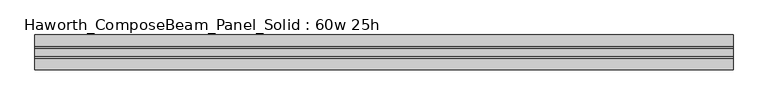
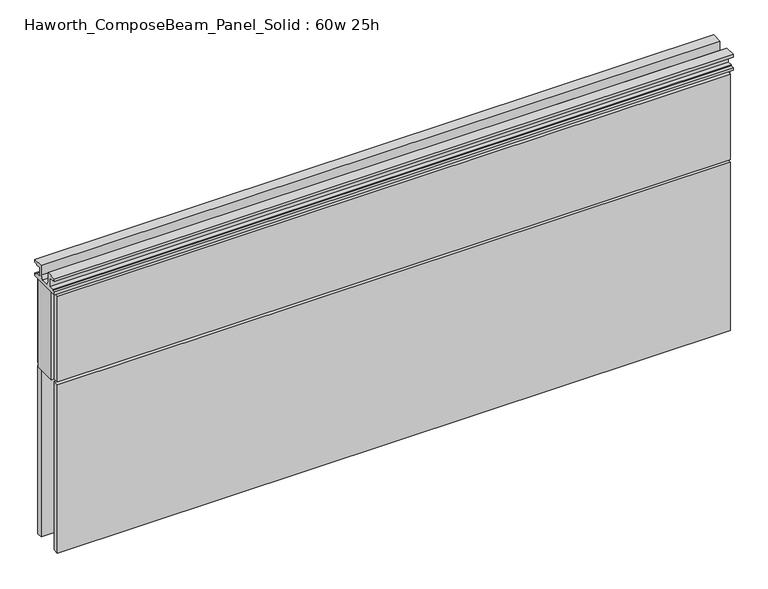
"""IFC4 building model written with IfcOpenShell, lengths in millimetres: furniture geometry, Haworth_ComposeBeam_Panel_Solid : 60w 25h."""

from ifc_helpers import new_model, si_unit, frame, origin, place, context, project, spatial, polyline, outline, extrude, source, transform, mapped, element, save


def haworth_composebeam_panel_solid_60w_25h_bee116df(model_context):
    return source(origin(), model_context, "Body", "SweptSolid", [
        extrude(outline(polyline([(-38.1, 673.1), (-38.1, 679.45), (-13.5001003, 679.45), (-13.5001003, 657.6828071), (-8.7648475, 647.7), (8.7648498, 647.7), (13.5001026, 657.6828071), (13.5001026, 679.45), (38.1000023, 679.45), (38.1000023, 673.1), (30.6197023, 673.1), (30.6197023, 670.8139719), (19.6977019, 670.8139719), (19.6977019, 649.9860281), (30.6197023, 649.9860281), (30.6197023, 647.7), (38.1000011, 647.7), (38.1000011, 641.35), (-38.0999989, 641.35), (-38.0999989, 647.7), (-30.6197, 647.7), (-30.6197, 649.9860281), (-19.6976996, 649.9860281), (-19.6976996, 670.8139719), (-30.6197, 670.8139719), (-30.6197, 673.1), (-38.1, 673.1)])), frame((-759.5597098, 0.0, 0.0), z_axis=(1.0, 0.0, 0.0), x_axis=(0.0, 1.0, 0.0)), (0.0, 0.0, 1.0), 1524.0),
        extrude(outline(polyline([(764.4402902, -25.4), (-759.5597098, -25.4), (-759.5597098, 25.4), (764.4402902, 25.4), (764.4402902, -25.4)])), frame((0.0, 0.0, 431.8), z_axis=(0.0, 0.0, 1.0), x_axis=(1.0, 0.0, 0.0)), (0.0, 0.0, 1.0), 209.55),
        extrude(outline(polyline([(-753.2097098, -25.4), (758.0902902, -25.4), (758.0902902, -38.1), (-753.2097098, -38.1), (-753.2097098, -25.4)])), frame((0.0, 0.0, 431.8), z_axis=(0.0, 0.0, 1.0), x_axis=(1.0, 0.0, 0.0)), (0.0, 0.0, 1.0), 203.2),
        extrude(outline(polyline([(-753.2097098, -25.4), (758.0902902, -25.4), (758.0902902, -38.1), (-753.2097098, -38.1), (-753.2097098, -25.4)])), frame((0.0, 0.0, 25.4), z_axis=(0.0, 0.0, 1.0), x_axis=(1.0, 0.0, 0.0)), (0.0, 0.0, 1.0), 400.05),
        extrude(outline(polyline([(-753.2097098, 38.1), (758.0902902, 38.1), (758.0902902, 25.4), (-753.2097098, 25.4), (-753.2097098, 38.1)])), frame((0.0, 0.0, 431.8), z_axis=(0.0, 0.0, 1.0), x_axis=(1.0, 0.0, 0.0)), (0.0, 0.0, 1.0), 203.2),
        extrude(outline(polyline([(-753.2097098, 38.1), (758.0902902, 38.1), (758.0902902, 25.4), (-753.2097098, 25.4), (-753.2097098, 38.1)])), frame((0.0, 0.0, 25.4), z_axis=(0.0, 0.0, 1.0), x_axis=(1.0, 0.0, 0.0)), (0.0, 0.0, 1.0), 400.05),
    ])


if __name__ == "__main__":
    model = new_model("IFC4")
    model_context = context("Model", 3, world=origin())
    ifc_project = project(units=[si_unit("LENGTHUNIT", "METRE", prefix="MILLI")], contexts=[model_context])
    site = spatial("IfcSite", under=ifc_project)
    building = spatial("IfcBuilding", under=site)
    placement = place(None, origin())
    haworth_composebeam_panel_solid_60w_25h_shape = haworth_composebeam_panel_solid_60w_25h_bee116df(model_context)
    element("IfcFurniture", 1, ObjectType="Haworth_ComposeBeam_Panel_Solid : 60w 25h", at=placement, inside=building, context=model_context, shape_type="MappedRepresentation", body=[
        mapped(haworth_composebeam_panel_solid_60w_25h_shape, transform((0.0, 0.0, 0.0), x_axis=(1.0, 0.0, 0.0), y_axis=(0.0, 1.0, 0.0), z_axis=(0.0, 0.0, 1.0))),
    ])
    save(model, "model.ifc")
